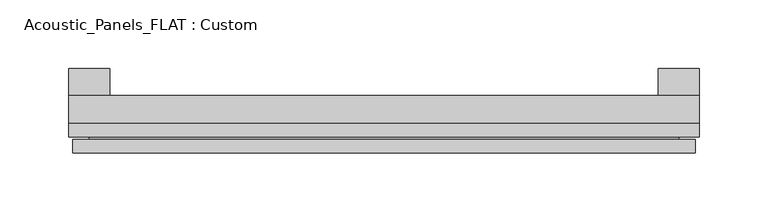
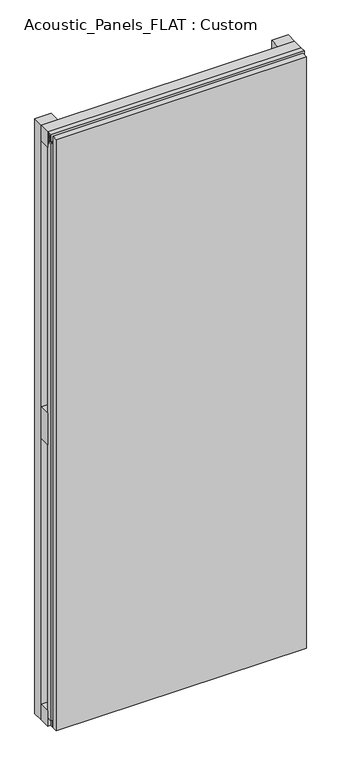
"""IFC4 building model written with IfcOpenShell, lengths in millimetres: plate geometry, Acoustic_Panels_FLAT : Custom."""

from ifc_helpers import new_model, si_unit, frame, origin, origin_with_axes, place, context, project, spatial, polyline, outline, extrude, faceted_brep, source, transform, mapped, element, save


def acoustic_panels_flat_custom_1b790566(model_context):
    return source(origin(), model_context, "Body", "SolidModel", [
        extrude(outline(polyline([(-230.0, -40.0), (-230.0, -20.0), (230.0, -20.0), (230.0, -40.0), (-230.0, -40.0)])), frame((0.0, 0.0, 1110.0), z_axis=(0.0, 0.0, 1.0), x_axis=(1.0, 0.0, 0.0)), (0.0, 0.0, 1.0), 30.0),
        extrude(outline(polyline([(-230.0, -40.0), (-230.0, -20.0), (230.0, -20.0), (230.0, -40.0), (-230.0, -40.0)])), origin_with_axes(), (0.0, 0.0, 1.0), 30.0),
        extrude(outline(polyline([(-230.0, -40.0), (-230.0, -20.0), (230.0, -20.0), (230.0, -40.0), (-230.0, -40.0)])), frame((0.0, 0.0, 540.0), z_axis=(0.0, 0.0, 1.0), x_axis=(1.0, 0.0, 0.0)), (0.0, 0.0, 1.0), 60.0),
        extrude(outline(polyline([(200.0, 0.0), (230.0, 0.0), (230.0, -20.0), (200.0, -20.0), (200.0, 0.0)])), origin_with_axes(), (0.0, 0.0, 1.0), 1140.0),
        extrude(outline(polyline([(-200.0, 0.0), (-200.0, -20.0), (-230.0, -20.0), (-230.0, 0.0), (-200.0, 0.0)])), origin_with_axes(), (0.0, 0.0, 1.0), 1140.0),
        extrude(outline(polyline([(-40.0, 1133.700916), (-43.5, 1133.700916), (-40.0553267, 1124.6441401), (-40.0553267, 1117.008452), (-41.4553267, 1117.008452), (-41.4553267, 1124.4296606), (-45.5140545, 1135.100916), (-41.4, 1135.100916), (-41.4, 1138.5843193), (-48.7, 1138.5843193), (-48.7, 1126.5843193), (-50.1, 1126.5843193), (-50.1, 1140.0), (-40.0, 1140.0), (-40.0, 1133.700916)])), frame((-230.0, 0.0, 0.0), z_axis=(1.0, 0.0, 0.0), x_axis=(0.0, 1.0, 0.0)), (0.0, 0.0, 1.0), 460.0),
        extrude(outline(polyline([(-223.700916, -40.0), (-223.700916, -43.5), (-214.6441401, -40.0553267), (-207.008452, -40.0553267), (-207.008452, -41.4553267), (-214.4296606, -41.4553267), (-225.100916, -45.5140545), (-225.100916, -41.4), (-228.5843193, -41.4), (-228.5843193, -48.7), (-216.5843193, -48.7), (-216.5843193, -50.1), (-230.0, -50.1), (-230.0, -40.0), (-223.700916, -40.0)])), frame((0.0, 0.0, 16.9558599), z_axis=(0.0, 0.0, 1.0), x_axis=(1.0, 0.0, 0.0)), (0.0, 0.0, 1.0), 1106.0882802),
        faceted_brep([(227.0, -45.9, 1137.0), (-227.0, -45.9, 1137.0), (-227.0, -48.7, 1137.0), (227.0, -48.7, 1137.0), (-227.0, -61.9, 1137.0), (227.0, -61.9, 1137.0), (227.0, -51.9, 1137.0), (-227.0, -51.9, 1137.0), (-227.0, -45.9, 3.0), (227.0, -45.9, 3.0), (227.0, -48.7, 3.0), (-227.0, -48.7, 3.0), (227.0, -61.9, 3.0), (-227.0, -61.9, 3.0), (-227.0, -51.9, 3.0), (227.0, -51.9, 3.0), (215.0, -51.9, 1125.0), (215.0, -51.9, 15.0), (215.0, -48.7, 15.0), (215.0, -48.7, 1125.0), (-215.0, -51.9, 15.0), (-215.0, -48.7, 15.0), (-215.0, -51.9, 1125.0), (-215.0, -48.7, 1125.0)], [[[0, 1, 2, 3]], [[4, 5, 6, 7]], [[8, 9, 10, 11]], [[12, 13, 14, 15]], [[1, 0, 9, 8]], [[1, 8, 11, 2]], [[13, 4, 7, 14]], [[5, 4, 13, 12]], [[9, 0, 3, 10]], [[5, 12, 15, 6]], [[16, 17, 18, 19]], [[18, 17, 20, 21]], [[21, 20, 22, 23]], [[16, 19, 23, 22]], [[7, 6, 15, 14], [17, 16, 22, 20]], [[3, 2, 11, 10], [19, 18, 21, 23]]]),
    ])


if __name__ == "__main__":
    model = new_model("IFC4")
    model_context = context("Model", 3, world=origin())
    ifc_project = project(units=[si_unit("LENGTHUNIT", "METRE", prefix="MILLI")], contexts=[model_context])
    site = spatial("IfcSite", under=ifc_project)
    building = spatial("IfcBuilding", under=site)
    placement = place(None, origin())
    acoustic_panels_flat_custom_shape = acoustic_panels_flat_custom_1b790566(model_context)
    element("IfcPlate", 1, ObjectType="Acoustic_Panels_FLAT : Custom", at=placement, inside=building, context=model_context, shape_type="MappedRepresentation", body=[
        mapped(acoustic_panels_flat_custom_shape, transform((0.0, 0.0, 0.0), x_axis=(1.0, 0.0, 0.0), y_axis=(0.0, 1.0, 0.0), z_axis=(0.0, 0.0, 1.0))),
    ])
    save(model, "model.ifc")
